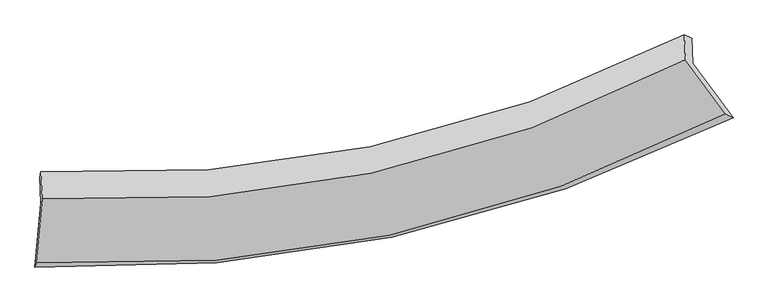
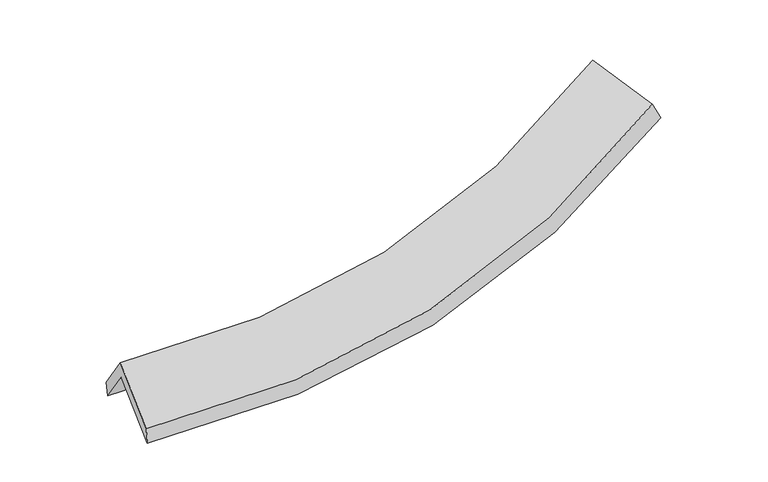
"""IFC4 building model written with IfcOpenShell, lengths in millimetres: proxy geometry."""

from ifc_helpers import new_model, si_unit, frame, origin, place, context, project, spatial, source, transform, mapped, element, save
from ifc_brep_helpers import plane_surface, spline_curve, spline_surface, advanced_brep


def generic_models_c1948862(model_context):
    return source(origin(), model_context, "Body", "AdvancedBrep", [
        advanced_brep(
        [(-2862.2886939, -2047.5789937, 1903.636365), (-2872.3113799, -1824.5816248, 1569.0041039), (2729.4528774, -632.6070867, 2183.7993968), (2739.091223, -847.0531639, 2505.5994972), (-2862.3595748, -1779.6312606, 1687.7646697), (2666.1019589, -602.0993337, 2332.6281147), (-2851.9856945, -2010.4424419, 2034.1224219), (2675.6556999, -814.6630214, 2651.6034809), (-2903.6778461, -2559.2188936, 1669.9686184), (3019.1311566, -1277.4553451, 2332.9132958), (-2913.981706, -2596.3645822, 1539.4764985), (3084.9583604, -1313.0679928, 2184.6902157)],
        [
            (0, 1),
            (1, 2, spline_curve(3, [(-2872.3113799, -1824.5816248, 1569.0041039), (-1886.0317195, -1859.733644056, 1501.847018376), (-932.139056805, -1780.979082228, 1517.611394746), (936.976596825, -1390.199112013, 1717.778635229), (1850.338686367, -1071.628827455, 1906.946022735), (2729.4528774, -632.6070867, 2183.7993968)], [4, 2, 4], [0.0, 9.455631495176084, 19.179121192998288])),
            (2, 3),
            (3, 0, spline_curve(3, [(2739.091223, -847.0531639, 2505.5994972), (1860.152360424, -1289.975834862, 2234.599901187), (946.909640232, -1611.201995354, 2049.417949466), (-922.080940595, -2004.764744815, 1853.426577761), (-1875.964859311, -2083.713860921, 1837.954151856), (-2862.2886939, -2047.5789937, 1903.636365)], [4, 2, 4], [0.0, 9.723489697822204, 19.179121192998288])),
            (1, 4),
            (4, 5, spline_curve(3, [(-2862.3595748, -1779.6312606, 1687.7646697), (-1885.410859277, -1825.355225008, 1634.257108274), (-942.187952963, -1753.130628739, 1659.377741342), (902.570385016, -1367.397106882, 1869.814382473), (1802.167989966, -1047.111061262, 2059.648231442), (2666.1019589, -602.0993337, 2332.6281147)], [4, 2, 4], [0.0, 9.370416071204394, 19.00627637087302])),
            (5, 2),
            (4, 6),
            (6, 7, spline_curve(3, [(-2851.9856945, -2010.4424419, 2034.1224219), (-1874.984668583, -2057.330268835, 1982.361365307), (-931.801691632, -1984.217284253, 2006.148873597), (912.68856685, -1592.519183857, 2207.635003161), (1812.052720988, -1267.039027882, 2389.674514341), (2675.6556999, -814.6630214, 2651.6034809)], [4, 2, 4], [0.0, 9.314676849539541, 18.893218952332653])),
            (7, 5),
            (6, 8),
            (8, 9, spline_curve(3, [(-2903.6778461, -2559.2188936, 1669.9686184), (-1854.111928232, -2608.502002801, 1614.437940985), (-842.122549706, -2529.63678837, 1639.997863854), (1134.306201168, -2109.745453612, 1856.32009734), (2096.586490046, -1761.356151756, 2051.741733102), (3019.1311566, -1277.4553451, 2332.9132958)], [4, 2, 4], [0.0, 9.647959313844996, 19.569225073941396])),
            (9, 7),
            (8, 10),
            (10, 11, spline_curve(3, [(-2913.981706, -2596.3645822, 1539.4764985), (-1855.474769937, -2634.375190022, 1470.382319794), (-832.784163116, -2549.670798377, 1487.629181507), (1168.920470375, -2128.956260642, 1697.739413229), (2145.876552104, -1785.895122484, 1895.563790668), (3084.9583604, -1313.0679928, 2184.6902157)], [4, 2, 4], [0.0, 10.037429115141686, 20.359197538910333])),
            (11, 9),
            (10, 0),
            (3, 11),
        ],
        [
            spline_surface(3, 3, [[(-2862.2886939, -2047.5789937, 1903.636365), (-1875.964859185, -2083.71386092, 1837.954151845), (-922.080940463, -2004.764744851, 1853.426577666), (946.909640095, -1611.201995317, 2049.417949563), (1860.152360336, -1289.975834772, 2234.59990116), (2739.091223, -847.0531639, 2505.5994972)], [(-2865.629589253, -1973.24653739, 1792.092277986), (-1879.320479343, -2009.053788577, 1725.918440672), (-925.433645849, -1930.169524022, 1741.488183376), (943.598625666, -1537.534367501, 1938.87151137), (1856.881135631, -1217.193498963, 2125.381941718), (2735.878441135, -775.571138154, 2398.332797086)], [(-2868.970484547, -1898.91408111, 1680.548190914), (-1882.676099441, -1934.393716263, 1613.882729441), (-928.786351319, -1855.574303194, 1629.549789181), (940.287611152, -1463.866739687, 1828.325073273), (1853.609910921, -1144.411163191, 2016.163982216), (2732.665659265, -704.089112446, 2291.066096914)], [(-2872.3113799, -1824.5816248, 1569.0041039), (-1886.031719599, -1859.73364392, 1501.847018267), (-932.139056705, -1780.979082365, 1517.611394891), (936.976596722, -1390.199111871, 1717.77863508), (1850.338686216, -1071.628827383, 1906.946022774), (2729.4528774, -632.6070867, 2183.7993968)]], [4, 4], [4, 2, 4], [0.0, 1.315922479418112], [0.0, 9.455631495176084, 19.179121192998288]),
            spline_surface(3, 3, [[(-2872.3113799, -1824.5816248, 1569.0041039), (-1886.031719599, -1859.73364392, 1501.847018267), (-932.139056705, -1780.979082365, 1517.611394891), (936.976596722, -1390.199111871, 1717.77863508), (1850.338686216, -1071.628827383, 1906.946022774), (2729.4528774, -632.6070867, 2183.7993968)], [(-2868.994111531, -1809.598170087, 1608.590959149), (-1885.824766118, -1848.274170983, 1545.983714936), (-935.48868882, -1771.696264445, 1564.866843709), (925.507859477, -1382.598443596, 1768.457217607), (1834.281787493, -1063.456238666, 1957.846758941), (2708.335904546, -622.437835711, 2233.408969416)], [(-2865.676843169, -1794.614715313, 1648.177814451), (-1885.617812645, -1836.814697984, 1590.120411657), (-938.838320876, -1762.413446512, 1612.122292432), (914.039122291, -1374.997775308, 1819.135800039), (1818.224888832, -1055.283649915, 2008.747495158), (2687.218931754, -612.268584689, 2283.018542084)], [(-2862.3595748, -1779.6312606, 1687.7646697), (-1885.410859164, -1825.355225047, 1634.257108326), (-942.187952992, -1753.130628592, 1659.377741251), (902.570385045, -1367.397107033, 1869.814382566), (1802.167990108, -1047.111061198, 2059.648231324), (2666.1019589, -602.0993337, 2332.6281147)]], [4, 4], [4, 2, 4], [0.0, 0.49505450471263107], [0.0, 9.370416071204394, 19.00627637087302]),
            spline_surface(3, 3, [[(-2862.3595748, -1779.6312606, 1687.7646697), (-1885.410859164, -1825.355225047, 1634.257108326), (-942.187952992, -1753.130628592, 1659.377741251), (902.570385045, -1367.397107033, 1869.814382566), (1802.167990108, -1047.111061198, 2059.648231324), (2666.1019589, -602.0993337, 2332.6281147)], [(-2858.901614706, -1856.568321017, 1803.217253777), (-1881.935462349, -1902.680239634, 1750.291860622), (-938.725865802, -1830.159513851, 1774.968118677), (905.943112282, -1442.437799264, 1982.421256056), (1805.462900384, -1120.420383473, 2169.656992353), (2669.286539238, -672.953896264, 2438.953236785)], [(-2855.443654594, -1933.505381483, 1918.669837823), (-1878.460065517, -1980.00525427, 1866.326612887), (-935.263778671, -1907.188399115, 1890.5584962), (909.315839459, -1517.478491502, 2095.028129642), (1808.757810647, -1193.729705756, 2279.665753326), (2672.471119562, -743.808458836, 2545.278358815)], [(-2851.9856945, -2010.4424419, 2034.1224219), (-1874.984668702, -2057.330268857, 1982.361365182), (-931.801691481, -1984.217284374, 2006.148873626), (912.688566695, -1592.519183733, 2207.635003132), (1812.052720923, -1267.039028032, 2389.674514355), (2675.6556999, -814.6630214, 2651.6034809)]], [4, 4], [4, 2, 4], [0.0, 1.3494494117903424], [0.0, 9.314676849539541, 18.893218952332653]),
            spline_surface(3, 3, [[(-2851.9856945, -2010.4424419, 2034.1224219), (-1874.984668702, -2057.330268857, 1982.361365182), (-931.801691481, -1984.217284374, 2006.148873626), (912.688566695, -1592.519183733, 2207.635003132), (1812.052720923, -1267.039028032, 2389.674514355), (2675.6556999, -814.6630214, 2651.6034809)], [(-2869.216411681, -2193.3679258, 1912.737820712), (-1868.027088547, -2241.05418012, 1859.720223724), (-901.908644189, -2166.023785693, 1884.098537087), (986.56111148, -1764.927940377, 2090.530034488), (1906.897310602, -1431.811402619, 2277.030253952), (2790.147518814, -968.927129299, 2545.373419195)], [(-2886.447128919, -2376.2934097, 1791.353219588), (-1861.06950845, -2424.778091383, 1737.079082329), (-872.01559689, -2347.830287007, 1762.048200539), (1060.433656272, -1937.336697014, 1973.425065834), (2001.741900238, -1596.583777209, 2164.385993565), (2904.639337686, -1123.191237201, 2439.143357505)], [(-2903.6778461, -2559.2188936, 1669.9686184), (-1854.111928296, -2608.502002646, 1614.437940871), (-842.122549598, -2529.636788326, 1639.997864), (1134.306201056, -2109.745453658, 1856.32009719), (2096.586489917, -1761.356151796, 2051.741733163), (3019.1311566, -1277.4553451, 2332.9132958)]], [4, 4], [4, 2, 4], [0.0, 2.164413587239213], [0.0, 9.647959313844996, 19.569225073941396]),
            spline_surface(3, 3, [[(-2903.6778461, -2559.2188936, 1669.9686184), (-1854.111928296, -2608.502002646, 1614.437940871), (-842.122549598, -2529.636788326, 1639.997864), (1134.306201056, -2109.745453658, 1856.32009719), (2096.586489917, -1761.356151796, 2051.741733163), (3019.1311566, -1277.4553451, 2332.9132958)], [(-2907.11246609, -2571.600789791, 1626.471245116), (-1854.566208837, -2617.126398393, 1566.419400516), (-839.009754062, -2536.314791676, 1589.20830314), (1145.844290797, -2116.149055983, 1803.459869232), (2113.016510662, -1769.535808638, 1999.682419015), (3041.073557849, -1289.326227648, 2283.505602428)], [(-2910.54708601, -2583.982686009, 1582.973871784), (-1855.020489307, -2625.750794166, 1518.400860113), (-835.896958542, -2542.99279503, 1538.418742281), (1157.382380523, -2122.552658314, 1750.599641276), (2129.44653146, -1777.715465536, 1947.623104882), (3063.015959151, -1301.197110252, 2234.097909072)], [(-2913.981706, -2596.3645822, 1539.4764985), (-1855.474769848, -2634.375189913, 1470.382319758), (-832.784163007, -2549.670798379, 1487.62918142), (1168.920470264, -2128.956260639, 1697.739413319), (2145.876552205, -1785.895122378, 1895.563790734), (3084.9583604, -1313.0679928, 2184.6902157)]], [4, 4], [4, 2, 4], [0.0, 0.519593703817356], [0.0, 10.037429115141686, 20.359197538910333]),
            spline_surface(3, 3, [[(-2913.981706, -2596.3645822, 1539.4764985), (-1855.474769848, -2634.375189913, 1470.382319758), (-832.784163007, -2549.670798379, 1487.62918142), (1168.920470264, -2128.956260639, 1697.739413319), (2145.876552205, -1785.895122378, 1895.563790734), (3084.9583604, -1313.0679928, 2184.6902157)], [(-2896.75070194, -2413.436052714, 1660.863120659), (-1862.3047996, -2450.821413595, 1592.90626378), (-862.549755523, -2368.035447201, 1609.561646866), (1094.916860177, -1956.37150553, 1814.965592097), (2050.635154934, -1620.588693199, 2008.575827532), (2969.669314619, -1157.729716523, 2291.659976189)], [(-2879.51969796, -2230.507523186, 1782.249742841), (-1869.134829433, -2267.267637237, 1715.430207824), (-892.315347947, -2186.400096029, 1731.494112221), (1020.913250182, -1783.786750426, 1932.191770785), (1955.393757606, -1455.28226395, 2121.587864362), (2854.380268781, -1002.391440177, 2398.629736711)], [(-2862.2886939, -2047.5789937, 1903.636365), (-1875.964859185, -2083.71386092, 1837.954151845), (-922.080940463, -2004.764744851, 1853.426577666), (946.909640095, -1611.201995317, 2049.417949563), (1860.152360336, -1289.975834772, 2234.59990116), (2739.091223, -847.0531639, 2505.5994972)]], [4, 4], [4, 2, 4], [0.0, 2.164512091422114], [0.0, 9.760129827818256, 19.796743657218627]),
            plane_surface(frame((2819.0652127, -914.4909906, 2365.2056668), z_axis=(0.8528588414334419, 0.4459300410694219, 0.27162141863378736), x_axis=(0.3964374872238518, -0.21447346600992204, -0.8926580818551576))),
            plane_surface(frame((-2877.7674825, -2136.3029661, 1733.9954462), z_axis=(-0.9966226316573101, 0.0513584827336487, 0.06407523952164049), x_axis=(-0.07824642281753627, -0.8306830532612803, -0.5512197042384973))),
        ],
        [
            (0, [[1, 2, 3, 4]]),
            (1, [[5, 6, 7, -2]]),
            (2, [[8, 9, 10, -6]]),
            (3, [[11, 12, 13, -9]]),
            (4, [[14, 15, 16, -12]]),
            (5, [[17, -4, 18, -15]]),
            (6, [[-16, -18, -3, -7, -10, -13]]),
            (7, [[-17, -14, -11, -8, -5, -1]]),
        ],
    ),
    ])


if __name__ == "__main__":
    model = new_model("IFC4")
    model_context = context("Model", 3, world=origin())
    ifc_project = project(units=[si_unit("LENGTHUNIT", "METRE", prefix="MILLI")], contexts=[model_context])
    site = spatial("IfcSite", under=ifc_project)
    building = spatial("IfcBuilding", under=site)
    placement = place(None, origin())
    generic_models_shape = generic_models_c1948862(model_context)
    element("IfcBuildingElementProxy", 1, Name="Generic Models", at=placement, inside=building, context=model_context, shape_type="MappedRepresentation", body=[
        mapped(generic_models_shape, transform((0.0, 0.0, 0.0), x_axis=(1.0, 0.0, 0.0), y_axis=(0.0, 1.0, 0.0), z_axis=(0.0, 0.0, 1.0))),
    ])
    save(model, "model.ifc")
